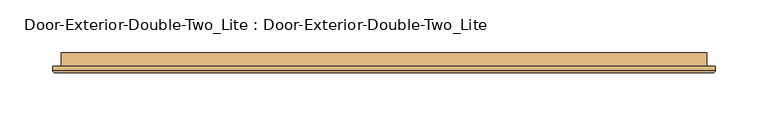
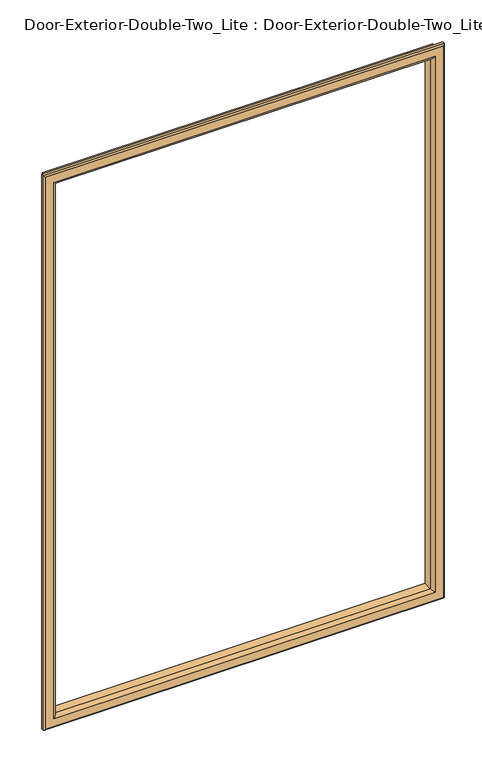
"""IFC4 building model written with IfcOpenShell, lengths in millimetres: door geometry, Door-Exterior-Double-Two_Lite : Door-Exterior-Double-Two_Lite."""

from ifc_helpers import new_model, si_unit, frame, origin, place, context, project, spatial, ellipse_curve, source, transform, mapped, element, save
from ifc_brep_helpers import plane_surface, cylinder_surface, advanced_brep


def door_exterior_double_two_lite_door_exterior_double_two_lite_95a5efb1(model_context):
    return source(origin(), model_context, "Body", "AdvancedBrep", [
        advanced_brep(
        [(-762.0, 50.8, 1117.6), (-762.0, 38.1, 1117.6), (-762.0, 38.1, 2016.125), (-762.0, 50.8, 2016.125), (-750.0, 37.1, 1129.6), (-750.0, 50.8, 1129.6), (-750.0, 50.8, 2004.125), (-750.0, 37.1, 2004.125), (-755.0, 32.1, 1124.6), (-755.0, 32.1, 2009.125), (-770.0, 34.1, 1109.6), (-768.0, 32.1, 1111.6), (-768.0, 32.1, 2022.125), (-770.0, 34.1, 2024.125), (-770.0, 38.1, 1109.6), (-770.0, 38.1, 2024.125), (-152.4, 38.1, 2016.125), (-152.4, 50.8, 2016.125), (-164.4, 50.8, 2004.125), (-164.4, 37.1, 2004.125), (-159.4, 32.1, 2009.125), (-146.4, 32.1, 2022.125), (-144.4, 34.1, 2024.125), (-144.4, 38.1, 2024.125), (-152.4, 38.1, 1117.6), (-152.4, 50.8, 1117.6), (-164.4, 50.8, 1129.6), (-164.4, 37.1, 1129.6), (-159.4, 32.1, 1124.6), (-146.4, 32.1, 1111.6), (-144.4, 34.1, 1109.6), (-144.4, 38.1, 1109.6)],
        [
            (0, 1),
            (1, 2),
            (2, 3),
            (3, 0),
            (4, 5),
            (5, 6),
            (6, 7),
            (7, 4),
            (8, 4, ellipse_curve(frame((-755.0, 37.1, 1124.6), z_axis=(-0.7071067811865475, 0.0, 0.7071067811865475), x_axis=(-0.7071067811865474, 0.0, -0.7071067811865476)), 7.0710678, 5.0)),
            (7, 9, ellipse_curve(frame((-755.0, 37.1, 2009.125), z_axis=(-0.7071067811865475, 0.0, -0.7071067811865475), x_axis=(0.7071067811865474, 0.0, -0.7071067811865476)), 7.0710678, 5.0)),
            (9, 8),
            (10, 11, ellipse_curve(frame((-768.0, 34.1, 1111.6), z_axis=(-0.7071067811865475, 0.0, 0.7071067811865475), x_axis=(-0.7071067811865474, 0.0, -0.7071067811865476)), 2.8284271, 2.0)),
            (11, 12),
            (12, 13, ellipse_curve(frame((-768.0, 34.1, 2022.125), z_axis=(-0.7071067811865475, 0.0, -0.7071067811865475), x_axis=(0.7071067811865474, 0.0, -0.7071067811865476)), 2.8284271, 2.0)),
            (13, 10),
            (14, 10),
            (13, 15),
            (15, 14),
            (2, 16),
            (16, 17),
            (17, 3),
            (6, 18),
            (18, 19),
            (19, 7),
            (19, 20, ellipse_curve(frame((-159.4, 37.1, 2009.125), z_axis=(-0.7071067811865475, 0.0, 0.7071067811865475), x_axis=(-0.7071067811865476, 0.0, -0.7071067811865474)), 7.0710678, 5.0)),
            (20, 9),
            (12, 21),
            (21, 22, ellipse_curve(frame((-146.4, 34.1, 2022.125), z_axis=(-0.7071067811865475, 0.0, 0.7071067811865475), x_axis=(-0.7071067811865476, 0.0, -0.7071067811865474)), 2.8284271, 2.0)),
            (22, 13),
            (22, 23),
            (23, 15),
            (16, 24),
            (24, 25),
            (25, 17),
            (18, 26),
            (26, 27),
            (27, 19),
            (27, 28, ellipse_curve(frame((-159.4, 37.1, 1124.6), z_axis=(0.7071067811865475, 0.0, 0.7071067811865475), x_axis=(-0.7071067811865474, 0.0, 0.7071067811865476)), 7.0710678, 5.0)),
            (28, 20),
            (21, 29),
            (29, 30, ellipse_curve(frame((-146.4, 34.1, 1111.6), z_axis=(0.7071067811865475, 0.0, 0.7071067811865475), x_axis=(-0.7071067811865474, 0.0, 0.7071067811865476)), 2.8284271, 2.0)),
            (30, 22),
            (30, 31),
            (31, 23),
            (31, 14),
            (1, 24),
            (0, 25),
            (5, 26),
            (4, 27),
            (8, 28),
            (11, 29),
            (10, 30),
        ],
        [
            plane_surface(frame((-762.0, 38.1, 1117.6), z_axis=(-1.0, 0.0, 0.0), x_axis=(0.0, 0.0, 1.0))),
            plane_surface(frame((-750.0, 50.8, 1129.6), z_axis=(1.0, 0.0, 0.0), x_axis=(0.0, 0.0, 1.0))),
            cylinder_surface(frame((-755.0, 37.1, 1117.6), z_axis=(0.0, 0.0, -1.0), x_axis=(-1.0, 0.0, 0.0)), 5.0),
            cylinder_surface(frame((-768.0, 34.1, 1117.6), z_axis=(0.0, 0.0, -1.0), x_axis=(-1.0, 0.0, 0.0)), 2.0),
            plane_surface(frame((-770.0, 34.1, 1109.6), z_axis=(-1.0, 0.0, 0.0), x_axis=(0.0, 0.0, 1.0))),
            plane_surface(frame((-762.0, 38.1, 2016.125), z_axis=(0.0, 0.0, 1.0), x_axis=(1.0, 0.0, 0.0))),
            plane_surface(frame((-750.0, 50.8, 2004.125), z_axis=(0.0, 0.0, -1.0), x_axis=(1.0, 0.0, 0.0))),
            cylinder_surface(frame((-762.0, 37.1, 2009.125), z_axis=(-1.0, 0.0, 0.0), x_axis=(0.0, 0.0, 1.0)), 5.0),
            cylinder_surface(frame((-762.0, 34.1, 2022.125), z_axis=(-1.0, 0.0, 0.0), x_axis=(0.0, 0.0, 1.0)), 2.0),
            plane_surface(frame((-770.0, 34.1, 2024.125), z_axis=(0.0, 0.0, 1.0), x_axis=(1.0, 0.0, 0.0))),
            plane_surface(frame((-152.4, 38.1, 2016.125), z_axis=(1.0, 0.0, 0.0), x_axis=(0.0, 0.0, -1.0))),
            plane_surface(frame((-164.4, 50.8, 2004.125), z_axis=(-1.0, 0.0, 0.0), x_axis=(0.0, 0.0, -1.0))),
            cylinder_surface(frame((-159.4, 37.1, 2016.125), z_axis=(0.0, 0.0, 1.0), x_axis=(1.0, 0.0, 0.0)), 5.0),
            cylinder_surface(frame((-146.4, 34.1, 2016.125), z_axis=(0.0, 0.0, 1.0), x_axis=(1.0, 0.0, 0.0)), 2.0),
            plane_surface(frame((-144.4, 34.1, 2024.125), z_axis=(1.0, 0.0, 0.0), x_axis=(0.0, 0.0, -1.0))),
            plane_surface(frame((-144.4, 38.1, 1109.6), z_axis=(0.0, 1.0, 0.0), x_axis=(-1.0, 0.0, 0.0))),
            plane_surface(frame((-152.4, 38.1, 1117.6), z_axis=(0.0, 0.0, -1.0), x_axis=(-1.0, 0.0, 0.0))),
            plane_surface(frame((-152.4, 50.8, 1117.6), z_axis=(0.0, 1.0, 0.0), x_axis=(-1.0, 0.0, 0.0))),
            plane_surface(frame((-164.4, 50.8, 1129.6), z_axis=(0.0, 0.0, 1.0), x_axis=(-1.0, 0.0, 0.0))),
            cylinder_surface(frame((-152.4, 37.1, 1124.6), z_axis=(1.0, 0.0, 0.0), x_axis=(0.0, 0.0, -1.0)), 5.0),
            plane_surface(frame((-159.4, 32.1, 1124.6), z_axis=(0.0, -1.0, 0.0), x_axis=(-1.0, 0.0, 0.0))),
            cylinder_surface(frame((-152.4, 34.1, 1111.6), z_axis=(1.0, 0.0, 0.0), x_axis=(0.0, 0.0, -1.0)), 2.0),
            plane_surface(frame((-144.4, 34.1, 1109.6), z_axis=(0.0, 0.0, -1.0), x_axis=(-1.0, 0.0, 0.0))),
        ],
        [
            (0, [[1, 2, 3, 4]]),
            (1, [[5, 6, 7, 8]]),
            (2, [[9, -8, 10, 11]]),
            (3, [[12, 13, 14, 15]]),
            (4, [[16, -15, 17, 18]]),
            (5, [[-3, 19, 20, 21]]),
            (6, [[-7, 22, 23, 24]]),
            (7, [[-10, -24, 25, 26]]),
            (8, [[-14, 27, 28, 29]]),
            (9, [[-17, -29, 30, 31]]),
            (10, [[-20, 32, 33, 34]]),
            (11, [[-23, 35, 36, 37]]),
            (12, [[-25, -37, 38, 39]]),
            (13, [[-28, 40, 41, 42]]),
            (14, [[-30, -42, 43, 44]]),
            (15, [[-31, -44, 45, -18], [46, -32, -19, -2]]),
            (16, [[-33, -46, -1, 47]]),
            (17, [[-21, -34, -47, -4], [48, -35, -22, -6]]),
            (18, [[-36, -48, -5, 49]]),
            (19, [[-38, -49, -9, 50]]),
            (20, [[51, -40, -27, -13], [-26, -39, -50, -11]]),
            (21, [[-41, -51, -12, 52]]),
            (22, [[-43, -52, -16, -45]]),
        ],
    ),
    ])


if __name__ == "__main__":
    model = new_model("IFC4")
    model_context = context("Model", 3, world=origin())
    ifc_project = project(units=[si_unit("LENGTHUNIT", "METRE", prefix="MILLI")], contexts=[model_context])
    site = spatial("IfcSite", under=ifc_project)
    building = spatial("IfcBuilding", under=site)
    placement = place(None, origin())
    door_exterior_double_two_lite_door_exterior_double_two_lite_shape = door_exterior_double_two_lite_door_exterior_double_two_lite_95a5efb1(model_context)
    element("IfcDoor", 1, ObjectType="Door-Exterior-Double-Two_Lite : Door-Exterior-Double-Two_Lite", at=placement, inside=building, context=model_context, shape_type="MappedRepresentation", body=[
        mapped(door_exterior_double_two_lite_door_exterior_double_two_lite_shape, transform((0.0, 0.0, 0.0), x_axis=(1.0, 0.0, 0.0), y_axis=(0.0, 1.0, 0.0), z_axis=(0.0, 0.0, 1.0))),
    ])
    save(model, "model.ifc")
